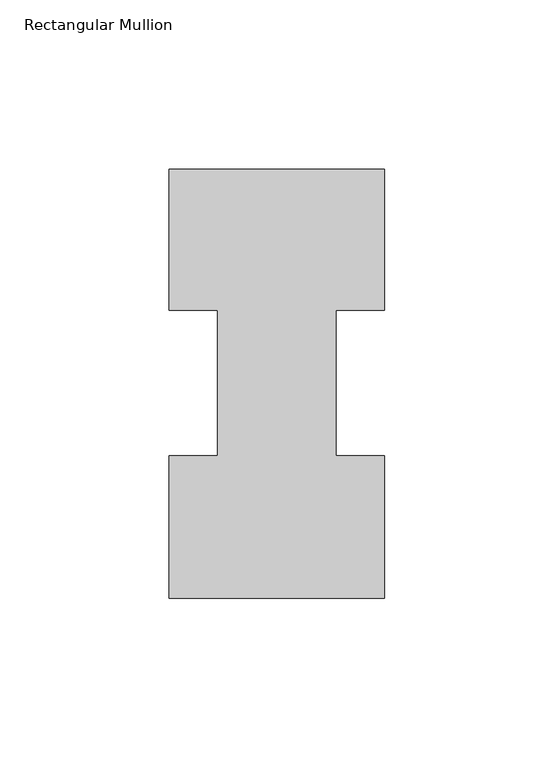
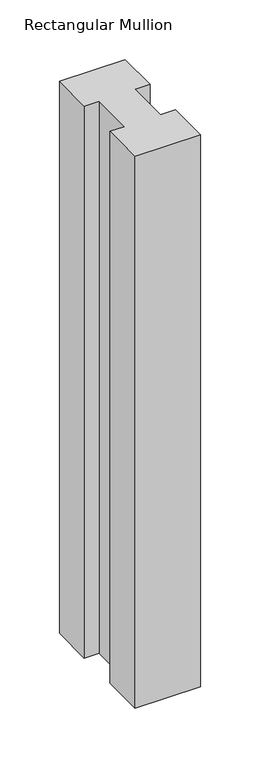
"""IFC4 building model written with IfcOpenShell, lengths in millimetres: member geometry, Rectangular Mullion."""

import ifcopenshell
import ifcopenshell.guid

model = None  # the IFC model being written
_history = None  # IfcOwnerHistory: only IFC2X3 demands one
_inside = {}  # id of a spatial element -> (the spatial element, [elements in it])
_under = {}  # id of a project, library or spatial element -> (it, [spatial elements below it])
_declared = {}  # id of a project -> (the project, [libraries it declares])
_typed = {}  # id of a type object -> (the type object, [elements of that type])
_made_of = {}  # id of a material, layer set ... -> (it, [elements and type objects made of it])


def new_model(schema):
    """Start an empty IFC model of exactly this schema.

    Asked for "IFC4X3", IfcOpenShell would pick the latest addendum, in which some entities
    have other attributes; the version numbers below select the first issue.
    IFC2X3 requires an IfcOwnerHistory on every rooted entity: one is made here for all.
    """
    global model, _history
    if schema == "IFC4X3":
        model = ifcopenshell.file(schema_version=(4, 3, 0, 0))
    else:
        model = ifcopenshell.file(schema=schema)
    _inside.clear()
    _under.clear()
    _declared.clear()
    _typed.clear()
    _made_of.clear()
    _history = None
    if model.schema == "IFC2X3":
        org = make("IfcOrganization", Name="unknown")
        user = make(
            "IfcPersonAndOrganization",
            ThePerson=make("IfcPerson", FamilyName="unknown"),
            TheOrganization=org,
        )
        app = make(
            "IfcApplication",
            ApplicationDeveloper=org,
            Version="unknown",
            ApplicationFullName="unknown",
            ApplicationIdentifier="unknown",
        )
        _history = make(
            "IfcOwnerHistory",
            OwningUser=user,
            OwningApplication=app,
            ChangeAction="ADDED",
            CreationDate=0,
        )
    return model


def make(cls, **values):
    """One entity of the class cls with the attributes given. An attribute that is None is left unset."""
    return model.create_entity(
        cls, **{name: value for name, value in values.items() if value is not None}
    )


def rooted(cls, **values):
    """An entity with a GlobalId (a new one), such as an element, a storey or a relation."""
    return make(cls, GlobalId=ifcopenshell.guid.new(), OwnerHistory=_history, **values)


def si_unit(unit_type, name, prefix=None):
    """IfcSIUnit, for example si_unit("LENGTHUNIT", "METRE", prefix="MILLI")."""
    return make("IfcSIUnit", UnitType=unit_type, Prefix=prefix, Name=name)


def assignment(units):
    """IfcUnitAssignment: the units of a project."""
    return None if units is None else make("IfcUnitAssignment", Units=units)


def point(xyz):
    """IfcCartesianPoint."""
    return None if xyz is None else make("IfcCartesianPoint", Coordinates=xyz)


def direction(xyz):
    """IfcDirection."""
    return None if xyz is None else make("IfcDirection", DirectionRatios=xyz)


def frame(location, z_axis=None, x_axis=None):
    """IfcAxis2Placement3D, a coordinate frame: its origin and axes. An axis left out is left unset."""
    return make(
        "IfcAxis2Placement3D",
        Location=point(location),
        Axis=direction(z_axis),
        RefDirection=direction(x_axis),
    )


def origin():
    """The frame at (0, 0, 0) with its axes left unset."""
    return frame((0.0, 0.0, 0.0))


def place(relative_to, where):
    """IfcLocalPlacement: puts the frame where relative to a parent placement (None: the world)."""
    return make(
        "IfcLocalPlacement", PlacementRelTo=relative_to, RelativePlacement=where
    )


def context(
    kind, dimensions, precision=None, world=None, true_north=None, identifier=None
):
    """IfcGeometricRepresentationContext, for example the 3D "Model" context."""
    return make(
        "IfcGeometricRepresentationContext",
        ContextIdentifier=identifier,
        ContextType=kind,
        CoordinateSpaceDimension=dimensions,
        Precision=precision,
        WorldCoordinateSystem=world,
        TrueNorth=true_north,
    )


def project(units=None, contexts=None):
    """IfcProject with its units and contexts."""
    return rooted(
        "IfcProject",
        Name="project",
        RepresentationContexts=contexts,
        UnitsInContext=assignment(units),
    )


def spatial(cls, under=None, at=None, **own):
    """A site, building, storey or space (cls), placed at a placement, below another one or the project."""
    s = rooted(cls, ObjectPlacement=at, **own)
    if under is not None:
        _under.setdefault(under.id(), (under, []))[1].append(s)
    return s


def polyline(points):
    """IfcPolyline through the points."""
    return make("IfcPolyline", Points=[point(p) for p in points])


def outline(outer, holes=None, kind="AREA"):
    """IfcArbitraryClosedProfileDef: a profile drawn as a closed curve; with holes, ...WithVoids."""
    if holes is None:
        return make("IfcArbitraryClosedProfileDef", ProfileType=kind, OuterCurve=outer)
    return make(
        "IfcArbitraryProfileDefWithVoids",
        ProfileType=kind,
        OuterCurve=outer,
        InnerCurves=holes,
    )


def extrude(swept, where, along, depth):
    """IfcExtrudedAreaSolid: the profile swept, set in the frame where, extruded along a direction by depth."""
    return make(
        "IfcExtrudedAreaSolid",
        SweptArea=swept,
        Position=where,
        ExtrudedDirection=direction(along),
        Depth=depth,
    )


def shape(context_of_items, identifier, shape_type, items):
    """IfcShapeRepresentation: the items that make up one representation, for example the "Body"."""
    return make(
        "IfcShapeRepresentation",
        ContextOfItems=context_of_items,
        RepresentationIdentifier=identifier,
        RepresentationType=shape_type,
        Items=items,
    )


def source(mapping_origin, context_of_items, identifier, shape_type, items):
    """IfcRepresentationMap: a shape defined once, which mapped items show again and again."""
    return make(
        "IfcRepresentationMap",
        MappingOrigin=mapping_origin,
        MappedRepresentation=shape(context_of_items, identifier, shape_type, items),
    )


def transform(
    local_origin,
    x_axis=None,
    y_axis=None,
    z_axis=None,
    scale=None,
    scale2=None,
    scale3=None,
    uniform=True,
):
    """IfcCartesianTransformationOperator3D, or its non-uniform kind. x_axis, y_axis, z_axis: its Axis1, 2, 3."""
    if uniform:
        return make(
            "IfcCartesianTransformationOperator3D",
            Axis1=direction(x_axis),
            Axis2=direction(y_axis),
            LocalOrigin=point(local_origin),
            Scale=scale,
            Axis3=direction(z_axis),
        )
    return make(
        "IfcCartesianTransformationOperator3DnonUniform",
        Axis1=direction(x_axis),
        Axis2=direction(y_axis),
        LocalOrigin=point(local_origin),
        Scale=scale,
        Axis3=direction(z_axis),
        Scale2=scale2,
        Scale3=scale3,
    )


def mapped(mapping_source, mapping_target):
    """IfcMappedItem: shows the shape of a source again, moved by a transform."""
    return make(
        "IfcMappedItem", MappingSource=mapping_source, MappingTarget=mapping_target
    )


def made_of(thing, what):
    """Note that an element or type object is made of a material, layer set ...; save() writes the relation."""
    if what is not None:
        _made_of.setdefault(what.id(), (what, []))[1].append(thing)
    return thing


def element(
    cls,
    number,
    at=None,
    inside=None,
    cuts=None,
    type_object=None,
    material=None,
    context=None,
    identifier="Body",
    shape_type=None,
    held_by="IfcProductDefinitionShape",
    body=None,
    shapes=None,
    **own,
):
    """One element of the class cls, such as IfcWall. Its Tag is "e" and its number.

    at: its placement. inside: the storey or other place that contains it. cuts: it is an
    opening in that element (IfcRelVoidsElement). A single representation is given by context,
    identifier, shape_type and body (its items); several are given by shapes. held_by: the class
    of the entity that holds the representations. save() writes the other relations.
    """
    e = rooted(cls, Tag="e%d" % number, ObjectPlacement=at, **own)
    if body is not None:
        shapes = [shape(context, identifier, shape_type, body)]
    if shapes is not None:
        e.Representation = make(held_by, Representations=shapes)
    if inside is not None:
        _inside.setdefault(inside.id(), (inside, []))[1].append(e)
    if cuts is not None:
        rooted(
            "IfcRelVoidsElement", RelatingBuildingElement=cuts, RelatedOpeningElement=e
        )
    if type_object is not None:
        _typed.setdefault(type_object.id(), (type_object, []))[1].append(e)
    return made_of(e, material)


def aggregate(whole, parts):
    """IfcRelAggregates: a whole, such as a stair, and the parts it consists of."""
    return rooted("IfcRelAggregates", RelatingObject=whole, RelatedObjects=parts)


def save(model, path):
    """Write the relations noted so far, then the file.

    IfcRelAggregates (storeys below a building ...), IfcRelContainedInSpatialStructure (elements
    in a storey), IfcRelDefinesByType, IfcRelAssociatesMaterial and IfcRelDeclares: one each for
    every whole, place, type object, material and project.
    """
    for whole, parts in _under.values():
        aggregate(whole, parts)
    for where, things in _inside.values():
        rooted(
            "IfcRelContainedInSpatialStructure",
            RelatedElements=things,
            RelatingStructure=where,
        )
    for kind, things in _typed.values():
        rooted("IfcRelDefinesByType", RelatedObjects=things, RelatingType=kind)
    for what, things in _made_of.values():
        rooted("IfcRelAssociatesMaterial", RelatedObjects=things, RelatingMaterial=what)
    for by, libraries in _declared.values():
        rooted("IfcRelDeclares", RelatingContext=by, RelatedDefinitions=libraries)
    model.write(path)


def rectangular_mullion_6cf220c1(model_context):
    return source(origin(), model_context, "Body", "SweptSolid", [
        extrude(outline(polyline([(-63.5, 0.04445), (-63.5, 42.08145), (-49.2125, 42.08145), (-49.2125, 84.93125), (-63.5, 84.93125), (-63.5, 126.53645), (0.0, 126.53645), (0.0, 84.93125), (-14.2748, 84.93125), (-14.2748, 42.08145), (0.0, 42.08145), (0.0, 0.04445), (-63.5, 0.04445)])), frame((0.0, 0.0, -564.9402418), z_axis=(0.0, 0.0, 1.0), x_axis=(1.0, 0.0, 0.0)), (0.0, 0.0, 1.0), 564.9402418),
    ])


if __name__ == "__main__":
    model = new_model("IFC4")
    model_context = context("Model", 3, world=origin())
    ifc_project = project(units=[si_unit("LENGTHUNIT", "METRE", prefix="MILLI")], contexts=[model_context])
    site = spatial("IfcSite", under=ifc_project)
    building = spatial("IfcBuilding", under=site)
    placement = place(None, origin())
    rectangular_mullion_shape = rectangular_mullion_6cf220c1(model_context)
    element("IfcMember", 1, ObjectType="Rectangular Mullion", at=placement, inside=building, context=model_context, shape_type="MappedRepresentation", body=[
        mapped(rectangular_mullion_shape, transform((0.0, 0.0, 0.0), x_axis=(1.0, 0.0, 0.0), y_axis=(0.0, 1.0, 0.0), z_axis=(0.0, 0.0, 1.0))),
    ])
    save(model, "model.ifc")
